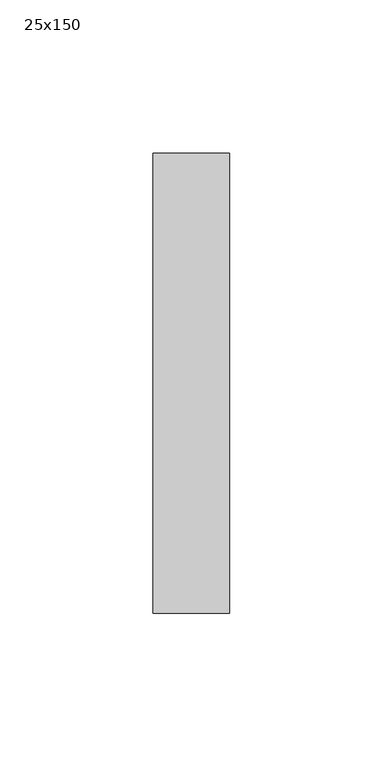
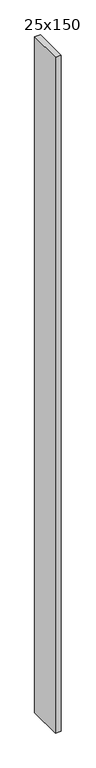
"""IFC4 building model written with IfcOpenShell, lengths in millimetres: member geometry, 25x150."""

from ifc_helpers import new_model, si_unit, frame, origin, place, context, project, spatial, polyline, outline, extrude, source, transform, mapped, element, save


def member_25x150_c2142158(model_context):
    return source(origin(), model_context, "Body", "SweptSolid", [
        extrude(outline(polyline([(0.0, 75.0), (0.0, -75.0), (-25.0, -75.0), (-25.0, 75.0), (0.0, 75.0)])), frame((0.0, 0.0, -3000.0), z_axis=(0.0, 0.0, 1.0), x_axis=(1.0, 0.0, 0.0)), (0.0, 0.0, 1.0), 3000.0),
    ])


if __name__ == "__main__":
    model = new_model("IFC4")
    model_context = context("Model", 3, world=origin())
    ifc_project = project(units=[si_unit("LENGTHUNIT", "METRE", prefix="MILLI")], contexts=[model_context])
    site = spatial("IfcSite", under=ifc_project)
    building = spatial("IfcBuilding", under=site)
    placement = place(None, origin())
    member_25x150_shape = member_25x150_c2142158(model_context)
    element("IfcMember", 1, ObjectType="25x150", at=placement, inside=building, context=model_context, shape_type="MappedRepresentation", body=[
        mapped(member_25x150_shape, transform((0.0, 0.0, 0.0), x_axis=(1.0, 0.0, 0.0), y_axis=(0.0, 1.0, 0.0), z_axis=(0.0, 0.0, 1.0))),
    ])
    save(model, "model.ifc")
